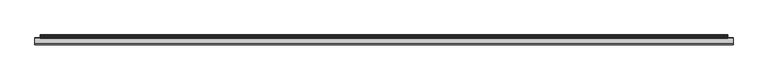
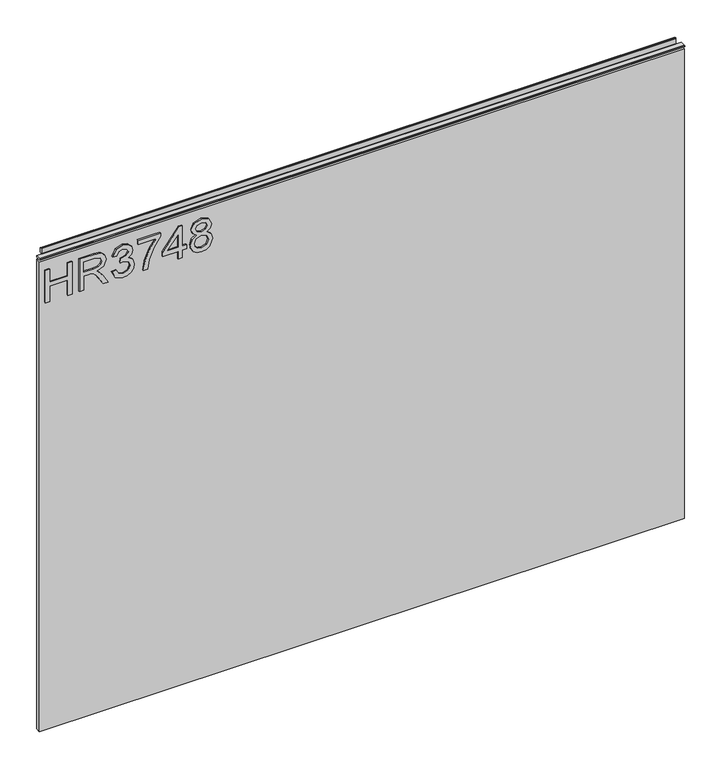
"""IFC4 building model written with IfcOpenShell, lengths in millimetres: furniture geometry."""

from ifc_helpers import new_model, si_unit, frame, origin, place, context, project, spatial, polyline, outline, extrude, source, transform, mapped, element, save


def furniture_679a4e5e(model_context):
    return source(origin(), model_context, "Body", "SweptSolid", [
        extrude(outline(polyline([(951.4078, -288.5795281), (951.4078, -280.6058085), (981.3092486, -280.6058085), (981.3092486, -246.7175001), (951.4078, -246.7175001), (951.4078, -238.7437805), (1015.1975569, -238.7437805), (1015.1975569, -246.7175001), (989.2829682, -246.7175001), (989.2829682, -280.6058085), (1015.1975569, -280.6058085), (1015.1975569, -288.5795281), (951.4078, -288.5795281)])), frame((0.0, -5.6037602, 0.0), z_axis=(0.0, 1.0, 0.0), x_axis=(0.0, 0.0, 1.0)), (0.0, 0.0, 1.0), 2.38125),
        extrude(outline(polyline([(951.4078, -224.7897712), (951.4078, -216.8160515), (979.3158187, -216.8160515), (979.3158187, -207.1915228), (979.0354926, -202.5661424), (977.5170596, -198.7739535), (973.38225, -194.5612755), (964.6298468, -188.5654121), (951.4078, -180.2646454), (951.4078, -170.9983111), (968.694575, -181.6351285), (976.9018996, -188.098202), (980.3125336, -192.6301403), (986.2461023, -179.2757173), (997.7394716, -174.9540235), (1007.3873609, -177.5626135), (1013.4766663, -184.5396181), (1015.1975569, -197.3022416), (1015.1975569, -224.7897712), (951.4078, -224.7897712)]), holes=[polyline([(987.2895383, -216.8160515), (1007.2238373, -216.8160515), (1007.2238373, -196.9596208), (1004.4672975, -186.299443), (997.4435719, -182.9277432), (992.0317211, -184.6953548), (988.4186294, -189.8658136), (987.2895383, -198.9686244), (987.2895383, -216.8160515)])]), frame((0.0, -5.6037602, 0.0), z_axis=(0.0, 1.0, 0.0), x_axis=(0.0, 0.0, 1.0)), (0.0, 0.0, 1.0), 2.38125),
        extrude(outline(polyline([(968.3519542, -163.9901591), (955.4102335, -157.6516749), (950.411085, -143.6665182), (951.8750101, -135.1438267), (956.2667854, -128.2330102), (962.7610063, -123.6543508), (970.5322681, -122.1281311), (980.9043331, -125.1805706), (986.355118, -133.8706791), (991.6345925, -127.3297372), (998.9853653, -125.1182759), (1007.0291664, -127.4465398), (1013.0094562, -134.1743657), (1015.1975569, -143.7911076), (1010.7590607, -156.4680759), (998.2534028, -162.9934441), (997.2566878, -155.0197245), (1004.7320499, -151.110733), (1007.2238373, -143.5107815), (1004.7554105, -136.004272), (998.5181552, -133.0919955), (991.4788558, -137.1100027), (989.2829682, -147.4353467), (981.3092486, -148.3230459), (982.1813742, -142.732098), (978.91869, -133.6682214), (970.6724312, -130.1018507), (961.920028, -133.6993687), (958.3848047, -143.3861922), (960.9544604, -151.6168774), (969.3486691, -156.0164394), (968.3519542, -163.9901591)])), frame((0.0, -5.6037602, 0.0), z_axis=(0.0, 1.0, 0.0), x_axis=(0.0, 0.0, 1.0)), (0.0, 0.0, 1.0), 2.38125),
        extrude(outline(polyline([(1006.2271224, -115.1511264), (1006.2271224, -81.262818), (989.7268178, -93.3168395), (969.3953902, -102.0147348), (951.4078, -105.1839769), (951.4078, -97.2102573), (968.741296, -94.2512597), (990.5989434, -85.1640226), (1007.7533421, -73.2890984), (1014.200842, -73.2890984), (1014.200842, -115.1511264), (1006.2271224, -115.1511264)])), frame((0.0, -5.6037602, 0.0), z_axis=(0.0, 1.0, 0.0), x_axis=(0.0, 0.0, 1.0)), (0.0, 0.0, 1.0), 2.38125),
        extrude(outline(polyline([(951.4078, -40.397505), (951.4078, -32.4237854), (966.3585243, -32.4237854), (966.3585243, -24.4500657), (974.3322439, -24.4500657), (974.3322439, -32.4237854), (1014.200842, -32.4237854), (1014.200842, -38.4040751), (974.3322439, -69.3022386), (966.3585243, -69.3022386), (966.3585243, -40.397505), (951.4078, -40.397505)]), holes=[polyline([(974.3322439, -40.397505), (974.3322439, -59.4908258), (998.9697916, -40.397505), (974.3322439, -40.397505)])]), frame((0.0, -5.6037602, 0.0), z_axis=(0.0, 1.0, 0.0), x_axis=(0.0, 0.0, 1.0)), (0.0, 0.0, 1.0), 2.38125),
        extrude(outline(polyline([(986.5420021, -5.8551024), (980.7485964, -14.4517689), (970.1896474, -17.4730611), (962.4320125, -16.0324965), (956.0721145, -11.7108028), (951.8263424, -5.0374847), (950.411085, 3.4579529), (951.8205023, 11.9533905), (956.048754, 18.6267086), (969.971616, 24.3889669), (980.2891731, 21.4844773), (986.5420021, 13.0046133), (991.471069, 20.0672732), (998.9853653, 22.395537), (1010.4787346, 17.1627835), (1015.1975569, 3.3489372), (1010.5877503, -10.3403197), (999.2033967, -15.4796312), (991.4944295, -13.12022), (986.5420021, -5.8551024)]), holes=[polyline([(970.4699735, -9.4993415), (978.9264769, -6.1276417), (982.3059635, 3.2554952), (978.8797559, 12.9111713), (970.2207947, 16.4152473), (961.7253571, 13.020187), (958.3848047, 3.5202476), (959.9733191, -3.4567571), (964.4663232, -8.1677926), (970.4699735, -9.4993415)]), polyline([(998.9697916, -7.5059116), (1004.7943446, -4.6325692), (1007.2238373, 3.4579529), (1004.7398368, 11.5251146), (998.6115972, 14.4218174), (992.6936022, 11.6185566), (990.2796831, 3.5513949), (992.7091758, -4.6792902), (998.9697916, -7.5059116)])]), frame((0.0, -5.6037602, 0.0), z_axis=(0.0, 1.0, 0.0), x_axis=(0.0, 0.0, 1.0)), (0.0, 0.0, 1.0), 2.38125),
        extrude(outline(polyline([(5.5562561, 1041.4), (6.3500061, 1041.4), (6.3500061, 1051.27425), (7.1437561, 1052.068), (8.6677569, 1052.068), (10.0084363, 1051.6506926), (10.875413, 1050.5461816), (10.9623604, 1049.1447591), (10.2390011, 1046.1863459), (10.4046103, 1044.9833307), (11.6746103, 1042.7836103), (10.7786383, 1042.2663244), (7.1437561, 1042.2663244), (7.1437561, 1041.4), (6.3500061, 1041.1669239), (6.3500061, 1033.9578), (5.5562561, 1033.9578), (5.5562561, 1041.4)])), frame((-288.671, 0.0, 0.0), z_axis=(1.0, 0.0, 0.0), x_axis=(0.0, 1.0, 0.0)), (0.0, 0.0, 1.0), 1186.942),
        extrude(outline(polyline([(5.5562561, 1041.4), (5.5562561, 1038.2249996), (-3.975094, 1038.2249996), (-5.3492339, 1039.0183657), (-5.3492339, 1040.6066395), (-3.9751037, 1041.4), (5.5562561, 1041.4)])), frame((-298.196, 0.0, 0.0), z_axis=(1.0, 0.0, 0.0), x_axis=(0.0, 1.0, 0.0)), (0.0, 0.0, 1.0), 1205.992),
        extrude(outline(polyline([(907.796, 6.3500061), (907.796, -3.1749939), (-298.196, -3.1749939), (-298.196, 6.3500061), (907.796, 6.3500061)])), frame((0.0, 0.0, 104.69626), z_axis=(0.0, 0.0, 1.0), x_axis=(1.0, 0.0, 0.0)), (0.0, 0.0, 1.0), 929.26154),
    ])


if __name__ == "__main__":
    model = new_model("IFC4")
    model_context = context("Model", 3, world=origin())
    ifc_project = project(units=[si_unit("LENGTHUNIT", "METRE", prefix="MILLI")], contexts=[model_context])
    site = spatial("IfcSite", under=ifc_project)
    building = spatial("IfcBuilding", under=site)
    placement = place(None, origin())
    furniture_shape = furniture_679a4e5e(model_context)
    element("IfcFurniture", 1, at=placement, inside=building, context=model_context, shape_type="MappedRepresentation", body=[
        mapped(furniture_shape, transform((0.0, 0.0, 0.0), x_axis=(1.0, 0.0, 0.0), y_axis=(0.0, 1.0, 0.0), z_axis=(0.0, 0.0, 1.0))),
    ])
    save(model, "model.ifc")
